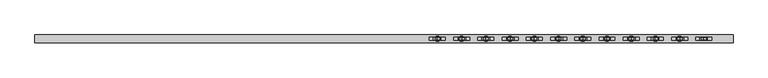
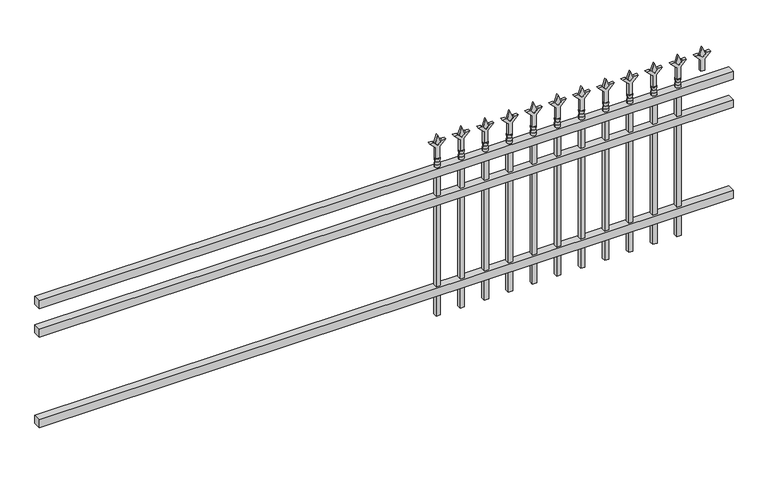
"""IFC4 building model written with IfcOpenShell, lengths in millimetres: railing geometry."""

from ifc_helpers import new_model, si_unit, frame, origin, place, context, project, spatial, polyline, circle_curve, outline, extrude, source, transform, mapped, element, save
from ifc_brep_helpers import plane_surface, cylinder_surface, revolved_surface, advanced_brep


def railing_afb9e353(model_context):
    return source(origin(), model_context, "Body", "SolidModel", [
        extrude(outline(polyline([(-91799.918087, -3091.1195174), (-91799.918087, -3056.1945174), (-88650.318087, -3056.1945174), (-88650.318087, -3091.1195174), (-91799.918087, -3091.1195174)])), frame((0.0, 0.0, 723.9), z_axis=(0.0, 0.0, 1.0), x_axis=(1.0, 0.0, 0.0)), (0.0, 0.0, 1.0), 38.1),
        extrude(outline(polyline([(-91799.918087, -3091.1195174), (-91799.918087, -3056.1945174), (-88650.318087, -3056.1945174), (-88650.318087, -3091.1195174), (-91799.918087, -3091.1195174)])), frame((0.0, 0.0, 587.375), z_axis=(0.0, 0.0, 1.0), x_axis=(1.0, 0.0, 0.0)), (0.0, 0.0, 1.0), 38.1),
        extrude(outline(polyline([(-91799.918087, -3091.1195174), (-91799.918087, -3056.1945174), (-88650.318087, -3056.1945174), (-88650.318087, -3091.1195174), (-91799.918087, -3091.1195174)])), frame((0.0, 0.0, 152.4), z_axis=(0.0, 0.0, 1.0), x_axis=(1.0, 0.0, 0.0)), (0.0, 0.0, 1.0), 38.1),
        extrude(outline(polyline([(878.68125, -88879.4472536), (914.4, -88891.3535036), (878.68125, -88903.2597536), (866.775, -88891.3535036), (878.68125, -88879.4472536)])), frame((0.0, -3078.4195174, 0.0), z_axis=(0.0, 1.0, 0.0), x_axis=(0.0, 0.0, 1.0)), (0.0, 0.0, 1.0), 9.525),
        extrude(outline(polyline([(803.275, -88882.6222536), (857.5457378, -88882.6222536), (884.7355122, -88855.4324791), (884.7355122, -88873.3929914), (866.775, -88891.3535036), (884.7355122, -88909.3140159), (884.7355122, -88927.2745281), (857.5457378, -88900.0847536), (803.275, -88900.0847536), (803.275, -88882.6222536)])), frame((0.0, -3080.0070174, 0.0), z_axis=(0.0, 1.0, 0.0), x_axis=(0.0, 0.0, 1.0)), (0.0, 0.0, 1.0), 12.7),
        advanced_brep(
        [(-88879.4472536, -3073.6570174, 774.7), (-88903.2597536, -3073.6570174, 774.7), (-88903.2597536, -3073.6570174, 762.0), (-88879.4472536, -3073.6570174, 762.0), (-88881.6525855, -3073.6570174, 787.2070585), (-88901.0544218, -3073.6570174, 787.2070585), (-88879.4472536, -3073.6570174, 803.275), (-88903.2597536, -3073.6570174, 803.275), (-88891.3535036, -3073.6570174, 803.275), (-88891.3535036, -3073.6570174, 762.0)],
        [
            (0, 1, circle_curve(frame((-88891.3535036, -3073.6570174, 774.7), z_axis=(0.0, 0.0, -1.0), x_axis=(-1.0, 0.0, 0.0)), 11.90625)),
            (1, 2),
            (2, 3, circle_curve(frame((-88891.3535036, -3073.6570174, 762.0), z_axis=(0.0, 0.0, 1.0), x_axis=(-1.0, 0.0, 0.0)), 11.90625)),
            (3, 0),
            (1, 0, circle_curve(frame((-88891.3535036, -3073.6570174, 774.7), z_axis=(0.0, 0.0, -1.0), x_axis=(-1.0, 0.0, 0.0)), 11.90625)),
            (3, 2, circle_curve(frame((-88891.3535036, -3073.6570174, 762.0), z_axis=(0.0, 0.0, 1.0), x_axis=(-1.0, 0.0, 0.0)), 11.90625)),
            (4, 5, circle_curve(frame((-88891.3535036, -3073.6570174, 787.2070585), z_axis=(0.0, 0.0, -1.0), x_axis=(-1.0, 0.0, 0.0)), 9.7009181)),
            (5, 1),
            (0, 4),
            (5, 4, circle_curve(frame((-88891.3535036, -3073.6570174, 787.2070585), z_axis=(0.0, 0.0, -1.0), x_axis=(-1.0, 0.0, 0.0)), 9.7009181)),
            (6, 7, circle_curve(frame((-88891.3535036, -3073.6570174, 803.275), z_axis=(0.0, 0.0, -1.0), x_axis=(-1.0, 0.0, 0.0)), 11.90625)),
            (7, 5),
            (4, 6),
            (7, 6, circle_curve(frame((-88891.3535036, -3073.6570174, 803.275), z_axis=(0.0, 0.0, -1.0), x_axis=(-1.0, 0.0, 0.0)), 11.90625)),
            (8, 7),
            (6, 8),
            (2, 9),
            (9, 3),
        ],
        [
            cylinder_surface(frame((-88891.3535036, -3073.6570174, 762.0), z_axis=(0.0, 0.0, 1.0), x_axis=(-1.0, 0.0, 0.0)), 11.90625),
            revolved_surface(polyline([(-88903.2597536, -3073.6570174, 774.7), (-88901.0544218, -3073.6570174, 787.2070585)]), (-88891.3535036, -3073.6570174, 762.0), (0.0, 0.0, 1.0)),
            revolved_surface(polyline([(-88901.0544218, -3073.6570174, 787.2070585), (-88903.2597536, -3073.6570174, 803.275)]), (-88891.3535036, -3073.6570174, 762.0), (0.0, 0.0, 1.0)),
            plane_surface(frame((-88891.3535036, -3073.6570174, 803.275), z_axis=(0.0, 0.0, 1.0), x_axis=(-1.0, 0.0, 0.0))),
            plane_surface(frame((-88891.3535036, -3073.6570174, 762.0), z_axis=(0.0, 0.0, -1.0), x_axis=(-1.0, 0.0, 0.0))),
        ],
        [
            (0, [[1, 2, 3, 4]]),
            (0, [[5, -4, 6, -2]]),
            (1, [[7, 8, -1, 9]]),
            (1, [[10, -9, -5, -8]]),
            (2, [[11, 12, -7, 13]]),
            (2, [[14, -13, -10, -12]]),
            (3, [[15, -11, 16]]),
            (3, [[-16, -14, -15]]),
            (4, [[-3, 17, 18]]),
            (4, [[-6, -18, -17]]),
        ],
    ),
        extrude(outline(polyline([(-88900.8785036, -3064.1320174), (-88881.8285036, -3064.1320174), (-88881.8285036, -3083.1820174), (-88900.8785036, -3083.1820174), (-88900.8785036, -3064.1320174)])), frame((0.0, 0.0, 50.8), z_axis=(0.0, 0.0, 1.0), x_axis=(1.0, 0.0, 0.0)), (0.0, 0.0, 1.0), 711.2),
        extrude(outline(polyline([(878.68125, -88988.7201703), (914.4, -89000.6264203), (878.68125, -89012.5326703), (866.775, -89000.6264203), (878.68125, -88988.7201703)])), frame((0.0, -3078.4195174, 0.0), z_axis=(0.0, 1.0, 0.0), x_axis=(0.0, 0.0, 1.0)), (0.0, 0.0, 1.0), 9.525),
        extrude(outline(polyline([(803.275, -88991.8951703), (857.5457378, -88991.8951703), (884.7355122, -88964.7053958), (884.7355122, -88982.6659081), (866.775, -89000.6264203), (884.7355122, -89018.5869325), (884.7355122, -89036.5474448), (857.5457378, -89009.3576703), (803.275, -89009.3576703), (803.275, -88991.8951703)])), frame((0.0, -3080.0070174, 0.0), z_axis=(0.0, 1.0, 0.0), x_axis=(0.0, 0.0, 1.0)), (0.0, 0.0, 1.0), 12.7),
        advanced_brep(
        [(-88988.7201703, -3073.6570174, 774.7), (-89012.5326703, -3073.6570174, 774.7), (-89012.5326703, -3073.6570174, 762.0), (-88988.7201703, -3073.6570174, 762.0), (-88990.9255022, -3073.6570174, 787.2070585), (-89010.3273384, -3073.6570174, 787.2070585), (-88988.7201703, -3073.6570174, 803.275), (-89012.5326703, -3073.6570174, 803.275), (-89000.6264203, -3073.6570174, 803.275), (-89000.6264203, -3073.6570174, 762.0)],
        [
            (0, 1, circle_curve(frame((-89000.6264203, -3073.6570174, 774.7), z_axis=(0.0, 0.0, -1.0), x_axis=(-1.0, 0.0, 0.0)), 11.90625)),
            (1, 2),
            (2, 3, circle_curve(frame((-89000.6264203, -3073.6570174, 762.0), z_axis=(0.0, 0.0, 1.0), x_axis=(-1.0, 0.0, 0.0)), 11.90625)),
            (3, 0),
            (1, 0, circle_curve(frame((-89000.6264203, -3073.6570174, 774.7), z_axis=(0.0, 0.0, -1.0), x_axis=(-1.0, 0.0, 0.0)), 11.90625)),
            (3, 2, circle_curve(frame((-89000.6264203, -3073.6570174, 762.0), z_axis=(0.0, 0.0, 1.0), x_axis=(-1.0, 0.0, 0.0)), 11.90625)),
            (4, 5, circle_curve(frame((-89000.6264203, -3073.6570174, 787.2070585), z_axis=(0.0, 0.0, -1.0), x_axis=(-1.0, 0.0, 0.0)), 9.7009181)),
            (5, 1),
            (0, 4),
            (5, 4, circle_curve(frame((-89000.6264203, -3073.6570174, 787.2070585), z_axis=(0.0, 0.0, -1.0), x_axis=(-1.0, 0.0, 0.0)), 9.7009181)),
            (6, 7, circle_curve(frame((-89000.6264203, -3073.6570174, 803.275), z_axis=(0.0, 0.0, -1.0), x_axis=(-1.0, 0.0, 0.0)), 11.90625)),
            (7, 5),
            (4, 6),
            (7, 6, circle_curve(frame((-89000.6264203, -3073.6570174, 803.275), z_axis=(0.0, 0.0, -1.0), x_axis=(-1.0, 0.0, 0.0)), 11.90625)),
            (8, 7),
            (6, 8),
            (2, 9),
            (9, 3),
        ],
        [
            cylinder_surface(frame((-89000.6264203, -3073.6570174, 762.0), z_axis=(0.0, 0.0, 1.0), x_axis=(-1.0, 0.0, 0.0)), 11.90625),
            revolved_surface(polyline([(-89012.5326703, -3073.6570174, 774.7), (-89010.3273384, -3073.6570174, 787.2070585)]), (-89000.6264203, -3073.6570174, 762.0), (0.0, 0.0, 1.0)),
            revolved_surface(polyline([(-89010.3273384, -3073.6570174, 787.2070585), (-89012.5326703, -3073.6570174, 803.275)]), (-89000.6264203, -3073.6570174, 762.0), (0.0, 0.0, 1.0)),
            plane_surface(frame((-89000.6264203, -3073.6570174, 803.275), z_axis=(0.0, 0.0, 1.0), x_axis=(-1.0, 0.0, 0.0))),
            plane_surface(frame((-89000.6264203, -3073.6570174, 762.0), z_axis=(0.0, 0.0, -1.0), x_axis=(-1.0, 0.0, 0.0))),
        ],
        [
            (0, [[1, 2, 3, 4]]),
            (0, [[5, -4, 6, -2]]),
            (1, [[7, 8, -1, 9]]),
            (1, [[10, -9, -5, -8]]),
            (2, [[11, 12, -7, 13]]),
            (2, [[14, -13, -10, -12]]),
            (3, [[15, -11, 16]]),
            (3, [[-16, -14, -15]]),
            (4, [[-3, 17, 18]]),
            (4, [[-6, -18, -17]]),
        ],
    ),
        extrude(outline(polyline([(-89010.1514203, -3064.1320174), (-88991.1014203, -3064.1320174), (-88991.1014203, -3083.1820174), (-89010.1514203, -3083.1820174), (-89010.1514203, -3064.1320174)])), frame((0.0, 0.0, 50.8), z_axis=(0.0, 0.0, 1.0), x_axis=(1.0, 0.0, 0.0)), (0.0, 0.0, 1.0), 711.2),
        extrude(outline(polyline([(878.68125, -89097.993087), (914.4, -89109.899337), (878.68125, -89121.805587), (866.775, -89109.899337), (878.68125, -89097.993087)])), frame((0.0, -3078.4195174, 0.0), z_axis=(0.0, 1.0, 0.0), x_axis=(0.0, 0.0, 1.0)), (0.0, 0.0, 1.0), 9.525),
        extrude(outline(polyline([(803.275, -89101.168087), (857.5457378, -89101.168087), (884.7355122, -89073.9783125), (884.7355122, -89091.9388247), (866.775, -89109.899337), (884.7355122, -89127.8598492), (884.7355122, -89145.8203614), (857.5457378, -89118.630587), (803.275, -89118.630587), (803.275, -89101.168087)])), frame((0.0, -3080.0070174, 0.0), z_axis=(0.0, 1.0, 0.0), x_axis=(0.0, 0.0, 1.0)), (0.0, 0.0, 1.0), 12.7),
        advanced_brep(
        [(-89097.993087, -3073.6570174, 774.7), (-89121.805587, -3073.6570174, 774.7), (-89121.805587, -3073.6570174, 762.0), (-89097.993087, -3073.6570174, 762.0), (-89100.1984188, -3073.6570174, 787.2070585), (-89119.6002551, -3073.6570174, 787.2070585), (-89097.993087, -3073.6570174, 803.275), (-89121.805587, -3073.6570174, 803.275), (-89109.899337, -3073.6570174, 803.275), (-89109.899337, -3073.6570174, 762.0)],
        [
            (0, 1, circle_curve(frame((-89109.899337, -3073.6570174, 774.7), z_axis=(0.0, 0.0, -1.0), x_axis=(-1.0, 0.0, 0.0)), 11.90625)),
            (1, 2),
            (2, 3, circle_curve(frame((-89109.899337, -3073.6570174, 762.0), z_axis=(0.0, 0.0, 1.0), x_axis=(-1.0, 0.0, 0.0)), 11.90625)),
            (3, 0),
            (1, 0, circle_curve(frame((-89109.899337, -3073.6570174, 774.7), z_axis=(0.0, 0.0, -1.0), x_axis=(-1.0, 0.0, 0.0)), 11.90625)),
            (3, 2, circle_curve(frame((-89109.899337, -3073.6570174, 762.0), z_axis=(0.0, 0.0, 1.0), x_axis=(-1.0, 0.0, 0.0)), 11.90625)),
            (4, 5, circle_curve(frame((-89109.899337, -3073.6570174, 787.2070585), z_axis=(0.0, 0.0, -1.0), x_axis=(-1.0, 0.0, 0.0)), 9.7009181)),
            (5, 1),
            (0, 4),
            (5, 4, circle_curve(frame((-89109.899337, -3073.6570174, 787.2070585), z_axis=(0.0, 0.0, -1.0), x_axis=(-1.0, 0.0, 0.0)), 9.7009181)),
            (6, 7, circle_curve(frame((-89109.899337, -3073.6570174, 803.275), z_axis=(0.0, 0.0, -1.0), x_axis=(-1.0, 0.0, 0.0)), 11.90625)),
            (7, 5),
            (4, 6),
            (7, 6, circle_curve(frame((-89109.899337, -3073.6570174, 803.275), z_axis=(0.0, 0.0, -1.0), x_axis=(-1.0, 0.0, 0.0)), 11.90625)),
            (8, 7),
            (6, 8),
            (2, 9),
            (9, 3),
        ],
        [
            cylinder_surface(frame((-89109.899337, -3073.6570174, 762.0), z_axis=(0.0, 0.0, 1.0), x_axis=(-1.0, 0.0, 0.0)), 11.90625),
            revolved_surface(polyline([(-89121.805587, -3073.6570174, 774.7), (-89119.6002551, -3073.6570174, 787.2070585)]), (-89109.899337, -3073.6570174, 762.0), (0.0, 0.0, 1.0)),
            revolved_surface(polyline([(-89119.6002551, -3073.6570174, 787.2070585), (-89121.805587, -3073.6570174, 803.275)]), (-89109.899337, -3073.6570174, 762.0), (0.0, 0.0, 1.0)),
            plane_surface(frame((-89109.899337, -3073.6570174, 803.275), z_axis=(0.0, 0.0, 1.0), x_axis=(-1.0, 0.0, 0.0))),
            plane_surface(frame((-89109.899337, -3073.6570174, 762.0), z_axis=(0.0, 0.0, -1.0), x_axis=(-1.0, 0.0, 0.0))),
        ],
        [
            (0, [[1, 2, 3, 4]]),
            (0, [[5, -4, 6, -2]]),
            (1, [[7, 8, -1, 9]]),
            (1, [[10, -9, -5, -8]]),
            (2, [[11, 12, -7, 13]]),
            (2, [[14, -13, -10, -12]]),
            (3, [[15, -11, 16]]),
            (3, [[-16, -14, -15]]),
            (4, [[-3, 17, 18]]),
            (4, [[-6, -18, -17]]),
        ],
    ),
        extrude(outline(polyline([(-89119.424337, -3064.1320174), (-89100.374337, -3064.1320174), (-89100.374337, -3083.1820174), (-89119.424337, -3083.1820174), (-89119.424337, -3064.1320174)])), frame((0.0, 0.0, 50.8), z_axis=(0.0, 0.0, 1.0), x_axis=(1.0, 0.0, 0.0)), (0.0, 0.0, 1.0), 711.2),
        extrude(outline(polyline([(878.68125, -89207.2660036), (914.4, -89219.1722536), (878.68125, -89231.0785036), (866.775, -89219.1722536), (878.68125, -89207.2660036)])), frame((0.0, -3078.4195174, 0.0), z_axis=(0.0, 1.0, 0.0), x_axis=(0.0, 0.0, 1.0)), (0.0, 0.0, 1.0), 9.525),
        extrude(outline(polyline([(803.275, -89210.4410036), (857.5457378, -89210.4410036), (884.7355122, -89183.2512291), (884.7355122, -89201.2117414), (866.775, -89219.1722536), (884.7355122, -89237.1327659), (884.7355122, -89255.0932781), (857.5457378, -89227.9035036), (803.275, -89227.9035036), (803.275, -89210.4410036)])), frame((0.0, -3080.0070174, 0.0), z_axis=(0.0, 1.0, 0.0), x_axis=(0.0, 0.0, 1.0)), (0.0, 0.0, 1.0), 12.7),
        advanced_brep(
        [(-89207.2660036, -3073.6570174, 774.7), (-89231.0785036, -3073.6570174, 774.7), (-89231.0785036, -3073.6570174, 762.0), (-89207.2660036, -3073.6570174, 762.0), (-89209.4713355, -3073.6570174, 787.2070585), (-89228.8731718, -3073.6570174, 787.2070585), (-89207.2660036, -3073.6570174, 803.275), (-89231.0785036, -3073.6570174, 803.275), (-89219.1722536, -3073.6570174, 803.275), (-89219.1722536, -3073.6570174, 762.0)],
        [
            (0, 1, circle_curve(frame((-89219.1722536, -3073.6570174, 774.7), z_axis=(0.0, 0.0, -1.0), x_axis=(-1.0, 0.0, 0.0)), 11.90625)),
            (1, 2),
            (2, 3, circle_curve(frame((-89219.1722536, -3073.6570174, 762.0), z_axis=(0.0, 0.0, 1.0), x_axis=(-1.0, 0.0, 0.0)), 11.90625)),
            (3, 0),
            (1, 0, circle_curve(frame((-89219.1722536, -3073.6570174, 774.7), z_axis=(0.0, 0.0, -1.0), x_axis=(-1.0, 0.0, 0.0)), 11.90625)),
            (3, 2, circle_curve(frame((-89219.1722536, -3073.6570174, 762.0), z_axis=(0.0, 0.0, 1.0), x_axis=(-1.0, 0.0, 0.0)), 11.90625)),
            (4, 5, circle_curve(frame((-89219.1722536, -3073.6570174, 787.2070585), z_axis=(0.0, 0.0, -1.0), x_axis=(-1.0, 0.0, 0.0)), 9.7009181)),
            (5, 1),
            (0, 4),
            (5, 4, circle_curve(frame((-89219.1722536, -3073.6570174, 787.2070585), z_axis=(0.0, 0.0, -1.0), x_axis=(-1.0, 0.0, 0.0)), 9.7009181)),
            (6, 7, circle_curve(frame((-89219.1722536, -3073.6570174, 803.275), z_axis=(0.0, 0.0, -1.0), x_axis=(-1.0, 0.0, 0.0)), 11.90625)),
            (7, 5),
            (4, 6),
            (7, 6, circle_curve(frame((-89219.1722536, -3073.6570174, 803.275), z_axis=(0.0, 0.0, -1.0), x_axis=(-1.0, 0.0, 0.0)), 11.90625)),
            (8, 7),
            (6, 8),
            (2, 9),
            (9, 3),
        ],
        [
            cylinder_surface(frame((-89219.1722536, -3073.6570174, 762.0), z_axis=(0.0, 0.0, 1.0), x_axis=(-1.0, 0.0, 0.0)), 11.90625),
            revolved_surface(polyline([(-89231.0785036, -3073.6570174, 774.7), (-89228.8731718, -3073.6570174, 787.2070585)]), (-89219.1722536, -3073.6570174, 762.0), (0.0, 0.0, 1.0)),
            revolved_surface(polyline([(-89228.8731718, -3073.6570174, 787.2070585), (-89231.0785036, -3073.6570174, 803.275)]), (-89219.1722536, -3073.6570174, 762.0), (0.0, 0.0, 1.0)),
            plane_surface(frame((-89219.1722536, -3073.6570174, 803.275), z_axis=(0.0, 0.0, 1.0), x_axis=(-1.0, 0.0, 0.0))),
            plane_surface(frame((-89219.1722536, -3073.6570174, 762.0), z_axis=(0.0, 0.0, -1.0), x_axis=(-1.0, 0.0, 0.0))),
        ],
        [
            (0, [[1, 2, 3, 4]]),
            (0, [[5, -4, 6, -2]]),
            (1, [[7, 8, -1, 9]]),
            (1, [[10, -9, -5, -8]]),
            (2, [[11, 12, -7, 13]]),
            (2, [[14, -13, -10, -12]]),
            (3, [[15, -11, 16]]),
            (3, [[-16, -14, -15]]),
            (4, [[-3, 17, 18]]),
            (4, [[-6, -18, -17]]),
        ],
    ),
        extrude(outline(polyline([(-89228.6972536, -3064.1320174), (-89209.6472536, -3064.1320174), (-89209.6472536, -3083.1820174), (-89228.6972536, -3083.1820174), (-89228.6972536, -3064.1320174)])), frame((0.0, 0.0, 50.8), z_axis=(0.0, 0.0, 1.0), x_axis=(1.0, 0.0, 0.0)), (0.0, 0.0, 1.0), 711.2),
        extrude(outline(polyline([(878.68125, -89316.5389203), (914.4, -89328.4451703), (878.68125, -89340.3514203), (866.775, -89328.4451703), (878.68125, -89316.5389203)])), frame((0.0, -3078.4195174, 0.0), z_axis=(0.0, 1.0, 0.0), x_axis=(0.0, 0.0, 1.0)), (0.0, 0.0, 1.0), 9.525),
        extrude(outline(polyline([(803.275, -89319.7139203), (857.5457378, -89319.7139203), (884.7355122, -89292.5241458), (884.7355122, -89310.4846581), (866.775, -89328.4451703), (884.7355122, -89346.4056825), (884.7355122, -89364.3661948), (857.5457378, -89337.1764203), (803.275, -89337.1764203), (803.275, -89319.7139203)])), frame((0.0, -3080.0070174, 0.0), z_axis=(0.0, 1.0, 0.0), x_axis=(0.0, 0.0, 1.0)), (0.0, 0.0, 1.0), 12.7),
        advanced_brep(
        [(-89316.5389203, -3073.6570174, 774.7), (-89340.3514203, -3073.6570174, 774.7), (-89340.3514203, -3073.6570174, 762.0), (-89316.5389203, -3073.6570174, 762.0), (-89318.7442522, -3073.6570174, 787.2070585), (-89338.1460884, -3073.6570174, 787.2070585), (-89316.5389203, -3073.6570174, 803.275), (-89340.3514203, -3073.6570174, 803.275), (-89328.4451703, -3073.6570174, 803.275), (-89328.4451703, -3073.6570174, 762.0)],
        [
            (0, 1, circle_curve(frame((-89328.4451703, -3073.6570174, 774.7), z_axis=(0.0, 0.0, -1.0), x_axis=(-1.0, 0.0, 0.0)), 11.90625)),
            (1, 2),
            (2, 3, circle_curve(frame((-89328.4451703, -3073.6570174, 762.0), z_axis=(0.0, 0.0, 1.0), x_axis=(-1.0, 0.0, 0.0)), 11.90625)),
            (3, 0),
            (1, 0, circle_curve(frame((-89328.4451703, -3073.6570174, 774.7), z_axis=(0.0, 0.0, -1.0), x_axis=(-1.0, 0.0, 0.0)), 11.90625)),
            (3, 2, circle_curve(frame((-89328.4451703, -3073.6570174, 762.0), z_axis=(0.0, 0.0, 1.0), x_axis=(-1.0, 0.0, 0.0)), 11.90625)),
            (4, 5, circle_curve(frame((-89328.4451703, -3073.6570174, 787.2070585), z_axis=(0.0, 0.0, -1.0), x_axis=(-1.0, 0.0, 0.0)), 9.7009181)),
            (5, 1),
            (0, 4),
            (5, 4, circle_curve(frame((-89328.4451703, -3073.6570174, 787.2070585), z_axis=(0.0, 0.0, -1.0), x_axis=(-1.0, 0.0, 0.0)), 9.7009181)),
            (6, 7, circle_curve(frame((-89328.4451703, -3073.6570174, 803.275), z_axis=(0.0, 0.0, -1.0), x_axis=(-1.0, 0.0, 0.0)), 11.90625)),
            (7, 5),
            (4, 6),
            (7, 6, circle_curve(frame((-89328.4451703, -3073.6570174, 803.275), z_axis=(0.0, 0.0, -1.0), x_axis=(-1.0, 0.0, 0.0)), 11.90625)),
            (8, 7),
            (6, 8),
            (2, 9),
            (9, 3),
        ],
        [
            cylinder_surface(frame((-89328.4451703, -3073.6570174, 762.0), z_axis=(0.0, 0.0, 1.0), x_axis=(-1.0, 0.0, 0.0)), 11.90625),
            revolved_surface(polyline([(-89340.3514203, -3073.6570174, 774.7), (-89338.1460884, -3073.6570174, 787.2070585)]), (-89328.4451703, -3073.6570174, 762.0), (0.0, 0.0, 1.0)),
            revolved_surface(polyline([(-89338.1460884, -3073.6570174, 787.2070585), (-89340.3514203, -3073.6570174, 803.275)]), (-89328.4451703, -3073.6570174, 762.0), (0.0, 0.0, 1.0)),
            plane_surface(frame((-89328.4451703, -3073.6570174, 803.275), z_axis=(0.0, 0.0, 1.0), x_axis=(-1.0, 0.0, 0.0))),
            plane_surface(frame((-89328.4451703, -3073.6570174, 762.0), z_axis=(0.0, 0.0, -1.0), x_axis=(-1.0, 0.0, 0.0))),
        ],
        [
            (0, [[1, 2, 3, 4]]),
            (0, [[5, -4, 6, -2]]),
            (1, [[7, 8, -1, 9]]),
            (1, [[10, -9, -5, -8]]),
            (2, [[11, 12, -7, 13]]),
            (2, [[14, -13, -10, -12]]),
            (3, [[15, -11, 16]]),
            (3, [[-16, -14, -15]]),
            (4, [[-3, 17, 18]]),
            (4, [[-6, -18, -17]]),
        ],
    ),
        extrude(outline(polyline([(-89337.9701703, -3064.1320174), (-89318.9201703, -3064.1320174), (-89318.9201703, -3083.1820174), (-89337.9701703, -3083.1820174), (-89337.9701703, -3064.1320174)])), frame((0.0, 0.0, 50.8), z_axis=(0.0, 0.0, 1.0), x_axis=(1.0, 0.0, 0.0)), (0.0, 0.0, 1.0), 711.2),
        extrude(outline(polyline([(878.68125, -89425.811837), (914.4, -89437.718087), (878.68125, -89449.624337), (866.775, -89437.718087), (878.68125, -89425.811837)])), frame((0.0, -3078.4195174, 0.0), z_axis=(0.0, 1.0, 0.0), x_axis=(0.0, 0.0, 1.0)), (0.0, 0.0, 1.0), 9.525),
        extrude(outline(polyline([(803.275, -89428.986837), (857.5457378, -89428.986837), (884.7355122, -89401.7970625), (884.7355122, -89419.7575747), (866.775, -89437.718087), (884.7355122, -89455.6785992), (884.7355122, -89473.6391114), (857.5457378, -89446.449337), (803.275, -89446.449337), (803.275, -89428.986837)])), frame((0.0, -3080.0070174, 0.0), z_axis=(0.0, 1.0, 0.0), x_axis=(0.0, 0.0, 1.0)), (0.0, 0.0, 1.0), 12.7),
        advanced_brep(
        [(-89425.811837, -3073.6570174, 774.7), (-89449.624337, -3073.6570174, 774.7), (-89449.624337, -3073.6570174, 762.0), (-89425.811837, -3073.6570174, 762.0), (-89428.0171688, -3073.6570174, 787.2070585), (-89447.4190051, -3073.6570174, 787.2070585), (-89425.811837, -3073.6570174, 803.275), (-89449.624337, -3073.6570174, 803.275), (-89437.718087, -3073.6570174, 803.275), (-89437.718087, -3073.6570174, 762.0)],
        [
            (0, 1, circle_curve(frame((-89437.718087, -3073.6570174, 774.7), z_axis=(0.0, 0.0, -1.0), x_axis=(-1.0, 0.0, 0.0)), 11.90625)),
            (1, 2),
            (2, 3, circle_curve(frame((-89437.718087, -3073.6570174, 762.0), z_axis=(0.0, 0.0, 1.0), x_axis=(-1.0, 0.0, 0.0)), 11.90625)),
            (3, 0),
            (1, 0, circle_curve(frame((-89437.718087, -3073.6570174, 774.7), z_axis=(0.0, 0.0, -1.0), x_axis=(-1.0, 0.0, 0.0)), 11.90625)),
            (3, 2, circle_curve(frame((-89437.718087, -3073.6570174, 762.0), z_axis=(0.0, 0.0, 1.0), x_axis=(-1.0, 0.0, 0.0)), 11.90625)),
            (4, 5, circle_curve(frame((-89437.718087, -3073.6570174, 787.2070585), z_axis=(0.0, 0.0, -1.0), x_axis=(-1.0, 0.0, 0.0)), 9.7009181)),
            (5, 1),
            (0, 4),
            (5, 4, circle_curve(frame((-89437.718087, -3073.6570174, 787.2070585), z_axis=(0.0, 0.0, -1.0), x_axis=(-1.0, 0.0, 0.0)), 9.7009181)),
            (6, 7, circle_curve(frame((-89437.718087, -3073.6570174, 803.275), z_axis=(0.0, 0.0, -1.0), x_axis=(-1.0, 0.0, 0.0)), 11.90625)),
            (7, 5),
            (4, 6),
            (7, 6, circle_curve(frame((-89437.718087, -3073.6570174, 803.275), z_axis=(0.0, 0.0, -1.0), x_axis=(-1.0, 0.0, 0.0)), 11.90625)),
            (8, 7),
            (6, 8),
            (2, 9),
            (9, 3),
        ],
        [
            cylinder_surface(frame((-89437.718087, -3073.6570174, 762.0), z_axis=(0.0, 0.0, 1.0), x_axis=(-1.0, 0.0, 0.0)), 11.90625),
            revolved_surface(polyline([(-89449.624337, -3073.6570174, 774.7), (-89447.4190051, -3073.6570174, 787.2070585)]), (-89437.718087, -3073.6570174, 762.0), (0.0, 0.0, 1.0)),
            revolved_surface(polyline([(-89447.4190051, -3073.6570174, 787.2070585), (-89449.624337, -3073.6570174, 803.275)]), (-89437.718087, -3073.6570174, 762.0), (0.0, 0.0, 1.0)),
            plane_surface(frame((-89437.718087, -3073.6570174, 803.275), z_axis=(0.0, 0.0, 1.0), x_axis=(-1.0, 0.0, 0.0))),
            plane_surface(frame((-89437.718087, -3073.6570174, 762.0), z_axis=(0.0, 0.0, -1.0), x_axis=(-1.0, 0.0, 0.0))),
        ],
        [
            (0, [[1, 2, 3, 4]]),
            (0, [[5, -4, 6, -2]]),
            (1, [[7, 8, -1, 9]]),
            (1, [[10, -9, -5, -8]]),
            (2, [[11, 12, -7, 13]]),
            (2, [[14, -13, -10, -12]]),
            (3, [[15, -11, 16]]),
            (3, [[-16, -14, -15]]),
            (4, [[-3, 17, 18]]),
            (4, [[-6, -18, -17]]),
        ],
    ),
        extrude(outline(polyline([(-89447.243087, -3064.1320174), (-89428.193087, -3064.1320174), (-89428.193087, -3083.1820174), (-89447.243087, -3083.1820174), (-89447.243087, -3064.1320174)])), frame((0.0, 0.0, 50.8), z_axis=(0.0, 0.0, 1.0), x_axis=(1.0, 0.0, 0.0)), (0.0, 0.0, 1.0), 711.2),
        extrude(outline(polyline([(878.68125, -89535.0847536), (914.4, -89546.9910036), (878.68125, -89558.8972536), (866.775, -89546.9910036), (878.68125, -89535.0847536)])), frame((0.0, -3078.4195174, 0.0), z_axis=(0.0, 1.0, 0.0), x_axis=(0.0, 0.0, 1.0)), (0.0, 0.0, 1.0), 9.525),
        extrude(outline(polyline([(803.275, -89538.2597536), (857.5457378, -89538.2597536), (884.7355122, -89511.0699791), (884.7355122, -89529.0304914), (866.775, -89546.9910036), (884.7355122, -89564.9515159), (884.7355122, -89582.9120281), (857.5457378, -89555.7222536), (803.275, -89555.7222536), (803.275, -89538.2597536)])), frame((0.0, -3080.0070174, 0.0), z_axis=(0.0, 1.0, 0.0), x_axis=(0.0, 0.0, 1.0)), (0.0, 0.0, 1.0), 12.7),
        advanced_brep(
        [(-89535.0847536, -3073.6570174, 774.7), (-89558.8972536, -3073.6570174, 774.7), (-89558.8972536, -3073.6570174, 762.0), (-89535.0847536, -3073.6570174, 762.0), (-89537.2900855, -3073.6570174, 787.2070585), (-89556.6919218, -3073.6570174, 787.2070585), (-89535.0847536, -3073.6570174, 803.275), (-89558.8972536, -3073.6570174, 803.275), (-89546.9910036, -3073.6570174, 803.275), (-89546.9910036, -3073.6570174, 762.0)],
        [
            (0, 1, circle_curve(frame((-89546.9910036, -3073.6570174, 774.7), z_axis=(0.0, 0.0, -1.0), x_axis=(-1.0, 0.0, 0.0)), 11.90625)),
            (1, 2),
            (2, 3, circle_curve(frame((-89546.9910036, -3073.6570174, 762.0), z_axis=(0.0, 0.0, 1.0), x_axis=(-1.0, 0.0, 0.0)), 11.90625)),
            (3, 0),
            (1, 0, circle_curve(frame((-89546.9910036, -3073.6570174, 774.7), z_axis=(0.0, 0.0, -1.0), x_axis=(-1.0, 0.0, 0.0)), 11.90625)),
            (3, 2, circle_curve(frame((-89546.9910036, -3073.6570174, 762.0), z_axis=(0.0, 0.0, 1.0), x_axis=(-1.0, 0.0, 0.0)), 11.90625)),
            (4, 5, circle_curve(frame((-89546.9910036, -3073.6570174, 787.2070585), z_axis=(0.0, 0.0, -1.0), x_axis=(-1.0, 0.0, 0.0)), 9.7009181)),
            (5, 1),
            (0, 4),
            (5, 4, circle_curve(frame((-89546.9910036, -3073.6570174, 787.2070585), z_axis=(0.0, 0.0, -1.0), x_axis=(-1.0, 0.0, 0.0)), 9.7009181)),
            (6, 7, circle_curve(frame((-89546.9910036, -3073.6570174, 803.275), z_axis=(0.0, 0.0, -1.0), x_axis=(-1.0, 0.0, 0.0)), 11.90625)),
            (7, 5),
            (4, 6),
            (7, 6, circle_curve(frame((-89546.9910036, -3073.6570174, 803.275), z_axis=(0.0, 0.0, -1.0), x_axis=(-1.0, 0.0, 0.0)), 11.90625)),
            (8, 7),
            (6, 8),
            (2, 9),
            (9, 3),
        ],
        [
            cylinder_surface(frame((-89546.9910036, -3073.6570174, 762.0), z_axis=(0.0, 0.0, 1.0), x_axis=(-1.0, 0.0, 0.0)), 11.90625),
            revolved_surface(polyline([(-89558.8972536, -3073.6570174, 774.7), (-89556.6919218, -3073.6570174, 787.2070585)]), (-89546.9910036, -3073.6570174, 762.0), (0.0, 0.0, 1.0)),
            revolved_surface(polyline([(-89556.6919218, -3073.6570174, 787.2070585), (-89558.8972536, -3073.6570174, 803.275)]), (-89546.9910036, -3073.6570174, 762.0), (0.0, 0.0, 1.0)),
            plane_surface(frame((-89546.9910036, -3073.6570174, 803.275), z_axis=(0.0, 0.0, 1.0), x_axis=(-1.0, 0.0, 0.0))),
            plane_surface(frame((-89546.9910036, -3073.6570174, 762.0), z_axis=(0.0, 0.0, -1.0), x_axis=(-1.0, 0.0, 0.0))),
        ],
        [
            (0, [[1, 2, 3, 4]]),
            (0, [[5, -4, 6, -2]]),
            (1, [[7, 8, -1, 9]]),
            (1, [[10, -9, -5, -8]]),
            (2, [[11, 12, -7, 13]]),
            (2, [[14, -13, -10, -12]]),
            (3, [[15, -11, 16]]),
            (3, [[-16, -14, -15]]),
            (4, [[-3, 17, 18]]),
            (4, [[-6, -18, -17]]),
        ],
    ),
        extrude(outline(polyline([(-89556.5160036, -3064.1320174), (-89537.4660036, -3064.1320174), (-89537.4660036, -3083.1820174), (-89556.5160036, -3083.1820174), (-89556.5160036, -3064.1320174)])), frame((0.0, 0.0, 50.8), z_axis=(0.0, 0.0, 1.0), x_axis=(1.0, 0.0, 0.0)), (0.0, 0.0, 1.0), 711.2),
        extrude(outline(polyline([(878.68125, -89644.3576703), (914.4, -89656.2639203), (878.68125, -89668.1701703), (866.775, -89656.2639203), (878.68125, -89644.3576703)])), frame((0.0, -3078.4195174, 0.0), z_axis=(0.0, 1.0, 0.0), x_axis=(0.0, 0.0, 1.0)), (0.0, 0.0, 1.0), 9.525),
        extrude(outline(polyline([(803.275, -89647.5326703), (857.5457378, -89647.5326703), (884.7355122, -89620.3428958), (884.7355122, -89638.3034081), (866.775, -89656.2639203), (884.7355122, -89674.2244325), (884.7355122, -89692.1849448), (857.5457378, -89664.9951703), (803.275, -89664.9951703), (803.275, -89647.5326703)])), frame((0.0, -3080.0070174, 0.0), z_axis=(0.0, 1.0, 0.0), x_axis=(0.0, 0.0, 1.0)), (0.0, 0.0, 1.0), 12.7),
        advanced_brep(
        [(-89644.3576703, -3073.6570174, 774.7), (-89668.1701703, -3073.6570174, 774.7), (-89668.1701703, -3073.6570174, 762.0), (-89644.3576703, -3073.6570174, 762.0), (-89646.5630022, -3073.6570174, 787.2070585), (-89665.9648384, -3073.6570174, 787.2070585), (-89644.3576703, -3073.6570174, 803.275), (-89668.1701703, -3073.6570174, 803.275), (-89656.2639203, -3073.6570174, 803.275), (-89656.2639203, -3073.6570174, 762.0)],
        [
            (0, 1, circle_curve(frame((-89656.2639203, -3073.6570174, 774.7), z_axis=(0.0, 0.0, -1.0), x_axis=(-1.0, 0.0, 0.0)), 11.90625)),
            (1, 2),
            (2, 3, circle_curve(frame((-89656.2639203, -3073.6570174, 762.0), z_axis=(0.0, 0.0, 1.0), x_axis=(-1.0, 0.0, 0.0)), 11.90625)),
            (3, 0),
            (1, 0, circle_curve(frame((-89656.2639203, -3073.6570174, 774.7), z_axis=(0.0, 0.0, -1.0), x_axis=(-1.0, 0.0, 0.0)), 11.90625)),
            (3, 2, circle_curve(frame((-89656.2639203, -3073.6570174, 762.0), z_axis=(0.0, 0.0, 1.0), x_axis=(-1.0, 0.0, 0.0)), 11.90625)),
            (4, 5, circle_curve(frame((-89656.2639203, -3073.6570174, 787.2070585), z_axis=(0.0, 0.0, -1.0), x_axis=(-1.0, 0.0, 0.0)), 9.7009181)),
            (5, 1),
            (0, 4),
            (5, 4, circle_curve(frame((-89656.2639203, -3073.6570174, 787.2070585), z_axis=(0.0, 0.0, -1.0), x_axis=(-1.0, 0.0, 0.0)), 9.7009181)),
            (6, 7, circle_curve(frame((-89656.2639203, -3073.6570174, 803.275), z_axis=(0.0, 0.0, -1.0), x_axis=(-1.0, 0.0, 0.0)), 11.90625)),
            (7, 5),
            (4, 6),
            (7, 6, circle_curve(frame((-89656.2639203, -3073.6570174, 803.275), z_axis=(0.0, 0.0, -1.0), x_axis=(-1.0, 0.0, 0.0)), 11.90625)),
            (8, 7),
            (6, 8),
            (2, 9),
            (9, 3),
        ],
        [
            cylinder_surface(frame((-89656.2639203, -3073.6570174, 762.0), z_axis=(0.0, 0.0, 1.0), x_axis=(-1.0, 0.0, 0.0)), 11.90625),
            revolved_surface(polyline([(-89668.1701703, -3073.6570174, 774.7), (-89665.9648384, -3073.6570174, 787.2070585)]), (-89656.2639203, -3073.6570174, 762.0), (0.0, 0.0, 1.0)),
            revolved_surface(polyline([(-89665.9648384, -3073.6570174, 787.2070585), (-89668.1701703, -3073.6570174, 803.275)]), (-89656.2639203, -3073.6570174, 762.0), (0.0, 0.0, 1.0)),
            plane_surface(frame((-89656.2639203, -3073.6570174, 803.275), z_axis=(0.0, 0.0, 1.0), x_axis=(-1.0, 0.0, 0.0))),
            plane_surface(frame((-89656.2639203, -3073.6570174, 762.0), z_axis=(0.0, 0.0, -1.0), x_axis=(-1.0, 0.0, 0.0))),
        ],
        [
            (0, [[1, 2, 3, 4]]),
            (0, [[5, -4, 6, -2]]),
            (1, [[7, 8, -1, 9]]),
            (1, [[10, -9, -5, -8]]),
            (2, [[11, 12, -7, 13]]),
            (2, [[14, -13, -10, -12]]),
            (3, [[15, -11, 16]]),
            (3, [[-16, -14, -15]]),
            (4, [[-3, 17, 18]]),
            (4, [[-6, -18, -17]]),
        ],
    ),
        extrude(outline(polyline([(-89665.7889203, -3064.1320174), (-89646.7389203, -3064.1320174), (-89646.7389203, -3083.1820174), (-89665.7889203, -3083.1820174), (-89665.7889203, -3064.1320174)])), frame((0.0, 0.0, 50.8), z_axis=(0.0, 0.0, 1.0), x_axis=(1.0, 0.0, 0.0)), (0.0, 0.0, 1.0), 711.2),
        extrude(outline(polyline([(878.68125, -89753.630587), (914.4, -89765.536837), (878.68125, -89777.443087), (866.775, -89765.536837), (878.68125, -89753.630587)])), frame((0.0, -3078.4195174, 0.0), z_axis=(0.0, 1.0, 0.0), x_axis=(0.0, 0.0, 1.0)), (0.0, 0.0, 1.0), 9.525),
        extrude(outline(polyline([(803.275, -89756.805587), (857.5457378, -89756.805587), (884.7355122, -89729.6158125), (884.7355122, -89747.5763247), (866.775, -89765.536837), (884.7355122, -89783.4973492), (884.7355122, -89801.4578614), (857.5457378, -89774.268087), (803.275, -89774.268087), (803.275, -89756.805587)])), frame((0.0, -3080.0070174, 0.0), z_axis=(0.0, 1.0, 0.0), x_axis=(0.0, 0.0, 1.0)), (0.0, 0.0, 1.0), 12.7),
        advanced_brep(
        [(-89753.630587, -3073.6570174, 774.7), (-89777.443087, -3073.6570174, 774.7), (-89777.443087, -3073.6570174, 762.0), (-89753.630587, -3073.6570174, 762.0), (-89755.8359188, -3073.6570174, 787.2070585), (-89775.2377551, -3073.6570174, 787.2070585), (-89753.630587, -3073.6570174, 803.275), (-89777.443087, -3073.6570174, 803.275), (-89765.536837, -3073.6570174, 803.275), (-89765.536837, -3073.6570174, 762.0)],
        [
            (0, 1, circle_curve(frame((-89765.536837, -3073.6570174, 774.7), z_axis=(0.0, 0.0, -1.0), x_axis=(-1.0, 0.0, 0.0)), 11.90625)),
            (1, 2),
            (2, 3, circle_curve(frame((-89765.536837, -3073.6570174, 762.0), z_axis=(0.0, 0.0, 1.0), x_axis=(-1.0, 0.0, 0.0)), 11.90625)),
            (3, 0),
            (1, 0, circle_curve(frame((-89765.536837, -3073.6570174, 774.7), z_axis=(0.0, 0.0, -1.0), x_axis=(-1.0, 0.0, 0.0)), 11.90625)),
            (3, 2, circle_curve(frame((-89765.536837, -3073.6570174, 762.0), z_axis=(0.0, 0.0, 1.0), x_axis=(-1.0, 0.0, 0.0)), 11.90625)),
            (4, 5, circle_curve(frame((-89765.536837, -3073.6570174, 787.2070585), z_axis=(0.0, 0.0, -1.0), x_axis=(-1.0, 0.0, 0.0)), 9.7009181)),
            (5, 1),
            (0, 4),
            (5, 4, circle_curve(frame((-89765.536837, -3073.6570174, 787.2070585), z_axis=(0.0, 0.0, -1.0), x_axis=(-1.0, 0.0, 0.0)), 9.7009181)),
            (6, 7, circle_curve(frame((-89765.536837, -3073.6570174, 803.275), z_axis=(0.0, 0.0, -1.0), x_axis=(-1.0, 0.0, 0.0)), 11.90625)),
            (7, 5),
            (4, 6),
            (7, 6, circle_curve(frame((-89765.536837, -3073.6570174, 803.275), z_axis=(0.0, 0.0, -1.0), x_axis=(-1.0, 0.0, 0.0)), 11.90625)),
            (8, 7),
            (6, 8),
            (2, 9),
            (9, 3),
        ],
        [
            cylinder_surface(frame((-89765.536837, -3073.6570174, 762.0), z_axis=(0.0, 0.0, 1.0), x_axis=(-1.0, 0.0, 0.0)), 11.90625),
            revolved_surface(polyline([(-89777.443087, -3073.6570174, 774.7), (-89775.2377551, -3073.6570174, 787.2070585)]), (-89765.536837, -3073.6570174, 762.0), (0.0, 0.0, 1.0)),
            revolved_surface(polyline([(-89775.2377551, -3073.6570174, 787.2070585), (-89777.443087, -3073.6570174, 803.275)]), (-89765.536837, -3073.6570174, 762.0), (0.0, 0.0, 1.0)),
            plane_surface(frame((-89765.536837, -3073.6570174, 803.275), z_axis=(0.0, 0.0, 1.0), x_axis=(-1.0, 0.0, 0.0))),
            plane_surface(frame((-89765.536837, -3073.6570174, 762.0), z_axis=(0.0, 0.0, -1.0), x_axis=(-1.0, 0.0, 0.0))),
        ],
        [
            (0, [[1, 2, 3, 4]]),
            (0, [[5, -4, 6, -2]]),
            (1, [[7, 8, -1, 9]]),
            (1, [[10, -9, -5, -8]]),
            (2, [[11, 12, -7, 13]]),
            (2, [[14, -13, -10, -12]]),
            (3, [[15, -11, 16]]),
            (3, [[-16, -14, -15]]),
            (4, [[-3, 17, 18]]),
            (4, [[-6, -18, -17]]),
        ],
    ),
        extrude(outline(polyline([(-89775.061837, -3064.1320174), (-89756.011837, -3064.1320174), (-89756.011837, -3083.1820174), (-89775.061837, -3083.1820174), (-89775.061837, -3064.1320174)])), frame((0.0, 0.0, 50.8), z_axis=(0.0, 0.0, 1.0), x_axis=(1.0, 0.0, 0.0)), (0.0, 0.0, 1.0), 711.2),
        extrude(outline(polyline([(878.68125, -89862.9035036), (914.4, -89874.8097536), (878.68125, -89886.7160036), (866.775, -89874.8097536), (878.68125, -89862.9035036)])), frame((0.0, -3078.4195174, 0.0), z_axis=(0.0, 1.0, 0.0), x_axis=(0.0, 0.0, 1.0)), (0.0, 0.0, 1.0), 9.525),
        extrude(outline(polyline([(803.275, -89866.0785036), (857.5457378, -89866.0785036), (884.7355122, -89838.8887291), (884.7355122, -89856.8492414), (866.775, -89874.8097536), (884.7355122, -89892.7702659), (884.7355122, -89910.7307781), (857.5457378, -89883.5410036), (803.275, -89883.5410036), (803.275, -89866.0785036)])), frame((0.0, -3080.0070174, 0.0), z_axis=(0.0, 1.0, 0.0), x_axis=(0.0, 0.0, 1.0)), (0.0, 0.0, 1.0), 12.7),
        advanced_brep(
        [(-89862.9035036, -3073.6570174, 774.7), (-89886.7160036, -3073.6570174, 774.7), (-89886.7160036, -3073.6570174, 762.0), (-89862.9035036, -3073.6570174, 762.0), (-89865.1088355, -3073.6570174, 787.2070585), (-89884.5106718, -3073.6570174, 787.2070585), (-89862.9035036, -3073.6570174, 803.275), (-89886.7160036, -3073.6570174, 803.275), (-89874.8097536, -3073.6570174, 803.275), (-89874.8097536, -3073.6570174, 762.0)],
        [
            (0, 1, circle_curve(frame((-89874.8097536, -3073.6570174, 774.7), z_axis=(0.0, 0.0, -1.0), x_axis=(-1.0, 0.0, 0.0)), 11.90625)),
            (1, 2),
            (2, 3, circle_curve(frame((-89874.8097536, -3073.6570174, 762.0), z_axis=(0.0, 0.0, 1.0), x_axis=(-1.0, 0.0, 0.0)), 11.90625)),
            (3, 0),
            (1, 0, circle_curve(frame((-89874.8097536, -3073.6570174, 774.7), z_axis=(0.0, 0.0, -1.0), x_axis=(-1.0, 0.0, 0.0)), 11.90625)),
            (3, 2, circle_curve(frame((-89874.8097536, -3073.6570174, 762.0), z_axis=(0.0, 0.0, 1.0), x_axis=(-1.0, 0.0, 0.0)), 11.90625)),
            (4, 5, circle_curve(frame((-89874.8097536, -3073.6570174, 787.2070585), z_axis=(0.0, 0.0, -1.0), x_axis=(-1.0, 0.0, 0.0)), 9.7009181)),
            (5, 1),
            (0, 4),
            (5, 4, circle_curve(frame((-89874.8097536, -3073.6570174, 787.2070585), z_axis=(0.0, 0.0, -1.0), x_axis=(-1.0, 0.0, 0.0)), 9.7009181)),
            (6, 7, circle_curve(frame((-89874.8097536, -3073.6570174, 803.275), z_axis=(0.0, 0.0, -1.0), x_axis=(-1.0, 0.0, 0.0)), 11.90625)),
            (7, 5),
            (4, 6),
            (7, 6, circle_curve(frame((-89874.8097536, -3073.6570174, 803.275), z_axis=(0.0, 0.0, -1.0), x_axis=(-1.0, 0.0, 0.0)), 11.90625)),
            (8, 7),
            (6, 8),
            (2, 9),
            (9, 3),
        ],
        [
            cylinder_surface(frame((-89874.8097536, -3073.6570174, 762.0), z_axis=(0.0, 0.0, 1.0), x_axis=(-1.0, 0.0, 0.0)), 11.90625),
            revolved_surface(polyline([(-89886.7160036, -3073.6570174, 774.7), (-89884.5106718, -3073.6570174, 787.2070585)]), (-89874.8097536, -3073.6570174, 762.0), (0.0, 0.0, 1.0)),
            revolved_surface(polyline([(-89884.5106718, -3073.6570174, 787.2070585), (-89886.7160036, -3073.6570174, 803.275)]), (-89874.8097536, -3073.6570174, 762.0), (0.0, 0.0, 1.0)),
            plane_surface(frame((-89874.8097536, -3073.6570174, 803.275), z_axis=(0.0, 0.0, 1.0), x_axis=(-1.0, 0.0, 0.0))),
            plane_surface(frame((-89874.8097536, -3073.6570174, 762.0), z_axis=(0.0, 0.0, -1.0), x_axis=(-1.0, 0.0, 0.0))),
        ],
        [
            (0, [[1, 2, 3, 4]]),
            (0, [[5, -4, 6, -2]]),
            (1, [[7, 8, -1, 9]]),
            (1, [[10, -9, -5, -8]]),
            (2, [[11, 12, -7, 13]]),
            (2, [[14, -13, -10, -12]]),
            (3, [[15, -11, 16]]),
            (3, [[-16, -14, -15]]),
            (4, [[-3, 17, 18]]),
            (4, [[-6, -18, -17]]),
        ],
    ),
        extrude(outline(polyline([(-89884.3347536, -3064.1320174), (-89865.2847536, -3064.1320174), (-89865.2847536, -3083.1820174), (-89884.3347536, -3083.1820174), (-89884.3347536, -3064.1320174)])), frame((0.0, 0.0, 50.8), z_axis=(0.0, 0.0, 1.0), x_axis=(1.0, 0.0, 0.0)), (0.0, 0.0, 1.0), 711.2),
        extrude(outline(polyline([(878.68125, -89972.1764203), (914.4, -89984.0826703), (878.68125, -89995.9889203), (866.775, -89984.0826703), (878.68125, -89972.1764203)])), frame((0.0, -3078.4195174, 0.0), z_axis=(0.0, 1.0, 0.0), x_axis=(0.0, 0.0, 1.0)), (0.0, 0.0, 1.0), 9.525),
        extrude(outline(polyline([(803.275, -89975.3514203), (857.5457378, -89975.3514203), (884.7355122, -89948.1616458), (884.7355122, -89966.1221581), (866.775, -89984.0826703), (884.7355122, -90002.0431825), (884.7355122, -90020.0036948), (857.5457378, -89992.8139203), (803.275, -89992.8139203), (803.275, -89975.3514203)])), frame((0.0, -3080.0070174, 0.0), z_axis=(0.0, 1.0, 0.0), x_axis=(0.0, 0.0, 1.0)), (0.0, 0.0, 1.0), 12.7),
        advanced_brep(
        [(-89972.1764203, -3073.6570174, 774.7), (-89995.9889203, -3073.6570174, 774.7), (-89995.9889203, -3073.6570174, 762.0), (-89972.1764203, -3073.6570174, 762.0), (-89974.3817522, -3073.6570174, 787.2070585), (-89993.7835884, -3073.6570174, 787.2070585), (-89972.1764203, -3073.6570174, 803.275), (-89995.9889203, -3073.6570174, 803.275), (-89984.0826703, -3073.6570174, 803.275), (-89984.0826703, -3073.6570174, 762.0)],
        [
            (0, 1, circle_curve(frame((-89984.0826703, -3073.6570174, 774.7), z_axis=(0.0, 0.0, -1.0), x_axis=(-1.0, 0.0, 0.0)), 11.90625)),
            (1, 2),
            (2, 3, circle_curve(frame((-89984.0826703, -3073.6570174, 762.0), z_axis=(0.0, 0.0, 1.0), x_axis=(-1.0, 0.0, 0.0)), 11.90625)),
            (3, 0),
            (1, 0, circle_curve(frame((-89984.0826703, -3073.6570174, 774.7), z_axis=(0.0, 0.0, -1.0), x_axis=(-1.0, 0.0, 0.0)), 11.90625)),
            (3, 2, circle_curve(frame((-89984.0826703, -3073.6570174, 762.0), z_axis=(0.0, 0.0, 1.0), x_axis=(-1.0, 0.0, 0.0)), 11.90625)),
            (4, 5, circle_curve(frame((-89984.0826703, -3073.6570174, 787.2070585), z_axis=(0.0, 0.0, -1.0), x_axis=(-1.0, 0.0, 0.0)), 9.7009181)),
            (5, 1),
            (0, 4),
            (5, 4, circle_curve(frame((-89984.0826703, -3073.6570174, 787.2070585), z_axis=(0.0, 0.0, -1.0), x_axis=(-1.0, 0.0, 0.0)), 9.7009181)),
            (6, 7, circle_curve(frame((-89984.0826703, -3073.6570174, 803.275), z_axis=(0.0, 0.0, -1.0), x_axis=(-1.0, 0.0, 0.0)), 11.90625)),
            (7, 5),
            (4, 6),
            (7, 6, circle_curve(frame((-89984.0826703, -3073.6570174, 803.275), z_axis=(0.0, 0.0, -1.0), x_axis=(-1.0, 0.0, 0.0)), 11.90625)),
            (8, 7),
            (6, 8),
            (2, 9),
            (9, 3),
        ],
        [
            cylinder_surface(frame((-89984.0826703, -3073.6570174, 762.0), z_axis=(0.0, 0.0, 1.0), x_axis=(-1.0, 0.0, 0.0)), 11.90625),
            revolved_surface(polyline([(-89995.9889203, -3073.6570174, 774.7), (-89993.7835884, -3073.6570174, 787.2070585)]), (-89984.0826703, -3073.6570174, 762.0), (0.0, 0.0, 1.0)),
            revolved_surface(polyline([(-89993.7835884, -3073.6570174, 787.2070585), (-89995.9889203, -3073.6570174, 803.275)]), (-89984.0826703, -3073.6570174, 762.0), (0.0, 0.0, 1.0)),
            plane_surface(frame((-89984.0826703, -3073.6570174, 803.275), z_axis=(0.0, 0.0, 1.0), x_axis=(-1.0, 0.0, 0.0))),
            plane_surface(frame((-89984.0826703, -3073.6570174, 762.0), z_axis=(0.0, 0.0, -1.0), x_axis=(-1.0, 0.0, 0.0))),
        ],
        [
            (0, [[1, 2, 3, 4]]),
            (0, [[5, -4, 6, -2]]),
            (1, [[7, 8, -1, 9]]),
            (1, [[10, -9, -5, -8]]),
            (2, [[11, 12, -7, 13]]),
            (2, [[14, -13, -10, -12]]),
            (3, [[15, -11, 16]]),
            (3, [[-16, -14, -15]]),
            (4, [[-3, 17, 18]]),
            (4, [[-6, -18, -17]]),
        ],
    ),
        extrude(outline(polyline([(-89993.6076703, -3064.1320174), (-89974.5576703, -3064.1320174), (-89974.5576703, -3083.1820174), (-89993.6076703, -3083.1820174), (-89993.6076703, -3064.1320174)])), frame((0.0, 0.0, 50.8), z_axis=(0.0, 0.0, 1.0), x_axis=(1.0, 0.0, 0.0)), (0.0, 0.0, 1.0), 711.2),
        extrude(outline(polyline([(878.68125, -88770.174337), (914.4, -88782.080587), (878.68125, -88793.986837), (866.775, -88782.080587), (878.68125, -88770.174337)])), frame((0.0, -3078.4195174, 0.0), z_axis=(0.0, 1.0, 0.0), x_axis=(0.0, 0.0, 1.0)), (0.0, 0.0, 1.0), 9.525),
        extrude(outline(polyline([(803.275, -88773.349337), (857.5457378, -88773.349337), (884.7355122, -88746.1595625), (884.7355122, -88764.1200747), (866.775, -88782.080587), (884.7355122, -88800.0410992), (884.7355122, -88818.0016114), (857.5457378, -88790.811837), (803.275, -88790.811837), (803.275, -88773.349337)])), frame((0.0, -3080.0070174, 0.0), z_axis=(0.0, 1.0, 0.0), x_axis=(0.0, 0.0, 1.0)), (0.0, 0.0, 1.0), 12.7),
    ])


if __name__ == "__main__":
    model = new_model("IFC4")
    model_context = context("Model", 3, world=origin())
    ifc_project = project(units=[si_unit("LENGTHUNIT", "METRE", prefix="MILLI")], contexts=[model_context])
    site = spatial("IfcSite", under=ifc_project)
    building = spatial("IfcBuilding", under=site)
    placement = place(None, origin())
    railing_shape = railing_afb9e353(model_context)
    element("IfcRailing", 1, at=placement, inside=building, context=model_context, shape_type="MappedRepresentation", body=[
        mapped(railing_shape, transform((0.0, 0.0, 0.0), x_axis=(1.0, 0.0, 0.0), y_axis=(0.0, 1.0, 0.0), z_axis=(0.0, 0.0, 1.0))),
    ])
    save(model, "model.ifc")
